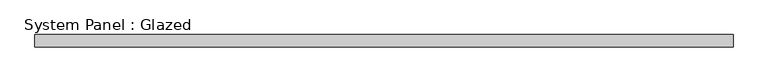
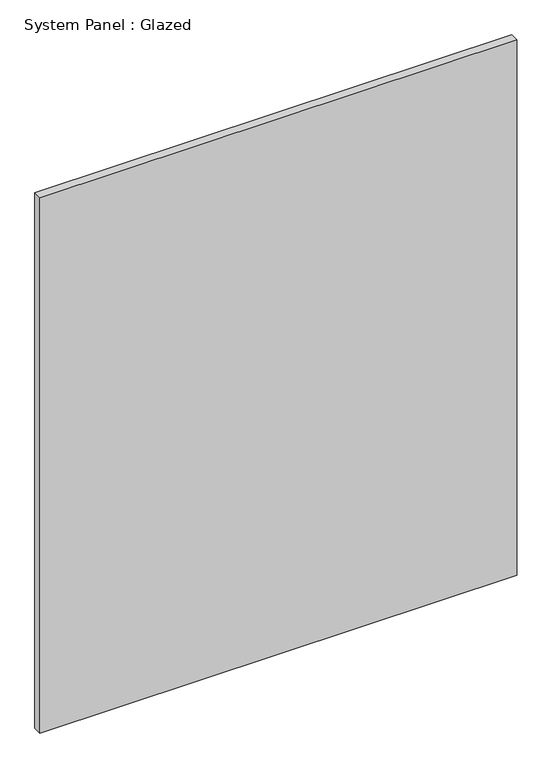
"""IFC4 building model written with IfcOpenShell, lengths in millimetres: plate geometry, System Panel : Glazed."""

from ifc_helpers import new_model, si_unit, origin, origin_with_axes, place, context, project, spatial, polyline, outline, extrude, source, transform, mapped, element, save


def system_panel_glazed_05a8d3b5(model_context):
    return source(origin(), model_context, "Body", "SweptSolid", [
        extrude(outline(polyline([(730.25, 19.05), (-730.25, 19.05), (-730.25, 44.45), (730.25, 44.45), (730.25, 19.05)])), origin_with_axes(), (0.0, 0.0, 1.0), 1733.55),
    ])


if __name__ == "__main__":
    model = new_model("IFC4")
    model_context = context("Model", 3, world=origin())
    ifc_project = project(units=[si_unit("LENGTHUNIT", "METRE", prefix="MILLI")], contexts=[model_context])
    site = spatial("IfcSite", under=ifc_project)
    building = spatial("IfcBuilding", under=site)
    placement = place(None, origin())
    system_panel_glazed_shape = system_panel_glazed_05a8d3b5(model_context)
    element("IfcPlate", 1, ObjectType="System Panel : Glazed", at=placement, inside=building, context=model_context, shape_type="MappedRepresentation", body=[
        mapped(system_panel_glazed_shape, transform((0.0, 0.0, 0.0), x_axis=(1.0, 0.0, 0.0), y_axis=(0.0, 1.0, 0.0), z_axis=(0.0, 0.0, 1.0))),
    ])
    save(model, "model.ifc")
